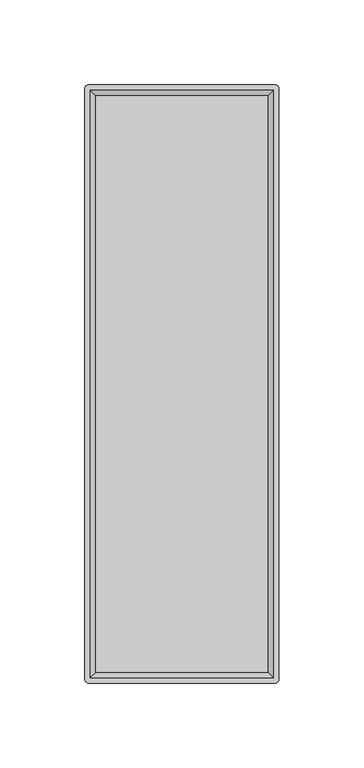
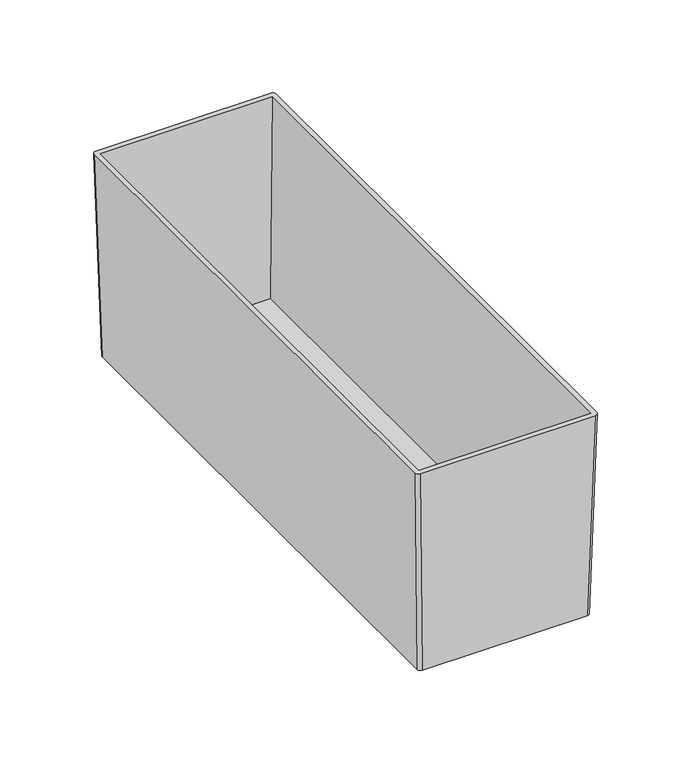
"""IFC4 building model written with IfcOpenShell, lengths in millimetres: furniture geometry."""

from ifc_helpers import new_model, si_unit, point, frame, origin, place, context, project, spatial, circle_curve, trimmed, source, transform, mapped, element, save
from ifc_brep_helpers import plane_surface, extruded_surface, advanced_brep


def furniture_8591d02a(model_context):
    return source(origin(), model_context, "Body", "AdvancedBrep", [
        advanced_brep(
        [(51.7525, 173.0375, 501.65), (53.975, 170.815, 501.65), (53.975, -170.815, 501.65), (51.7525, -173.0375, 501.65), (-51.7525, -173.0375, 501.65), (-53.975, -170.815, 501.65), (-53.975, 170.815, 501.65), (-51.7525, 173.0375, 501.65), (54.9275, 176.2125, 635.0), (-54.9275, 176.2125, 635.0), (-57.15, 173.99, 635.0), (-57.15, -173.99, 635.0), (-54.9275, -176.2125, 635.0), (54.9275, -176.2125, 635.0), (57.15, -173.99, 635.0), (57.15, 173.99, 635.0), (-53.975, 173.0375, 635.0), (53.975, 173.0375, 635.0), (53.975, -173.0375, 635.0), (-53.975, -173.0375, 635.0), (50.8, 169.8625, 504.19), (-50.8, 169.8625, 504.19), (-50.8, -169.8625, 504.19), (50.8, -169.8625, 504.19)],
        [
            (0, 1, circle_curve(frame((51.7525, 170.815, 501.65), z_axis=(0.0, 0.0, -1.0), x_axis=(-1.0, 0.0, 0.0)), 2.2225)),
            (1, 2),
            (2, 3, circle_curve(frame((51.7525, -170.815, 501.65), z_axis=(0.0, 0.0, -1.0), x_axis=(-1.0, 0.0, 0.0)), 2.2225)),
            (3, 4),
            (4, 5, circle_curve(frame((-51.7525, -170.815, 501.65), z_axis=(0.0, 0.0, -1.0), x_axis=(-1.0, 0.0, 0.0)), 2.2225)),
            (5, 6),
            (6, 7, circle_curve(frame((-51.7525, 170.815, 501.65), z_axis=(0.0, 0.0, -1.0), x_axis=(-1.0, 0.0, 0.0)), 2.2225)),
            (7, 0),
            (8, 9),
            (9, 10, circle_curve(frame((-54.9275, 173.99, 635.0), z_axis=(0.0, 0.0, 1.0), x_axis=(-1.0, 0.0, 0.0)), 2.2225)),
            (10, 11),
            (11, 12, circle_curve(frame((-54.9275, -173.99, 635.0), z_axis=(0.0, 0.0, 1.0), x_axis=(-1.0, 0.0, 0.0)), 2.2225)),
            (12, 13),
            (13, 14, circle_curve(frame((54.9275, -173.99, 635.0), z_axis=(0.0, 0.0, 1.0), x_axis=(-1.0, 0.0, 0.0)), 2.2225)),
            (14, 15),
            (15, 8, circle_curve(frame((54.9275, 173.99, 635.0), z_axis=(0.0, 0.0, 1.0), x_axis=(-1.0, 0.0, 0.0)), 2.2225)),
            (16, 17),
            (17, 18),
            (18, 19),
            (19, 16),
            (7, 9),
            (8, 0),
            (6, 10),
            (5, 11),
            (4, 12),
            (3, 13),
            (2, 14),
            (1, 15),
            (20, 21),
            (21, 22),
            (22, 23),
            (23, 20),
            (20, 17),
            (16, 21),
            (19, 22),
            (18, 23),
        ],
        [
            plane_surface(frame((0.0, 0.0, 501.65), z_axis=(0.0, 0.0, -1.0), x_axis=(-1.0, 0.0, 0.0))),
            plane_surface(frame((0.0, 0.0, 635.0), z_axis=(0.0, 0.0, 1.0), x_axis=(-1.0, 0.0, 0.0))),
            plane_surface(frame((0.0, 176.2125, 635.0), z_axis=(0.0, 0.999716673744136, -0.023802777946298048), x_axis=(1.0, 0.0, 0.0))),
            extruded_surface(trimmed(circle_curve(frame((-54.9275, 173.99, 635.0), z_axis=(0.0, 0.0, -1.0), x_axis=(-1.0, 0.0, 0.0)), 2.2225), [point((-57.15, 173.99, 635.0))], [point((-54.9275, 176.2125, 635.0))], True, "CARTESIAN"), (3.1750000000000043, -3.1750000000000114, -133.35000000000002), 133.42557382301194),
            plane_surface(frame((-57.15, 0.0, 635.0), z_axis=(-0.9997166737441362, 0.0, -0.02380277794629076), x_axis=(0.0, 1.0, 0.0))),
            extruded_surface(trimmed(circle_curve(frame((-54.9275, -173.99, 635.0), z_axis=(0.0, 0.0, -1.0), x_axis=(-1.0, 0.0, 0.0)), 2.2225), [point((-54.9275, -176.2125, 635.0))], [point((-57.15, -173.99, 635.0))], True, "CARTESIAN"), (3.1750000000000043, 3.1750000000000114, -133.35000000000002), 133.42557382301194),
            plane_surface(frame((0.0, -176.2125, 635.0), z_axis=(0.0, -0.9997166737441574, -0.02380277794539744), x_axis=(-1.0, 0.0, 0.0))),
            extruded_surface(trimmed(circle_curve(frame((54.9275, -173.99, 635.0), z_axis=(0.0, 0.0, -1.0), x_axis=(-1.0, 0.0, 0.0)), 2.2225), [point((57.15, -173.99, 635.0))], [point((54.9275, -176.2125, 635.0))], True, "CARTESIAN"), (-3.1750000000000043, 3.1750000000000114, -133.35000000000002), 133.42557382301194),
            plane_surface(frame((57.15, 0.0, 635.0), z_axis=(0.9997166737441394, 0.0, -0.02380277794615562), x_axis=(0.0, -1.0, 0.0))),
            extruded_surface(trimmed(circle_curve(frame((54.9275, 173.99, 635.0), z_axis=(0.0, 0.0, -1.0), x_axis=(-1.0, 0.0, 0.0)), 2.2225), [point((54.9275, 176.2125, 635.0))], [point((57.15, 173.99, 635.0))], True, "CARTESIAN"), (-3.1750000000000043, -3.1750000000000114, -133.35000000000002), 133.42557382301194),
            plane_surface(frame((0.0, 0.0, 504.19), z_axis=(0.0, 0.0, 1.0), x_axis=(-1.0, 0.0, 0.0))),
            plane_surface(frame((0.0, 173.0375, 635.0), z_axis=(0.0, -0.9997055688640034, 0.024264698273406472), x_axis=(1.0, 0.0, 0.0))),
            plane_surface(frame((-53.975, 0.0, 635.0), z_axis=(0.9997055688640036, 0.0, 0.02426469827339736), x_axis=(0.0, 1.0, 0.0))),
            plane_surface(frame((0.0, -173.0375, 635.0), z_axis=(0.0, 0.9997055688639701, 0.02426469827477685), x_axis=(-1.0, 0.0, 0.0))),
            plane_surface(frame((53.975, 0.0, 635.0), z_axis=(-0.9997055688640002, 0.0, 0.024264698273538807), x_axis=(0.0, -1.0, 0.0))),
        ],
        [
            (0, [[1, 2, 3, 4, 5, 6, 7, 8]]),
            (1, [[9, 10, 11, 12, 13, 14, 15, 16], [17, 18, 19, 20]]),
            (2, [[-8, 21, -9, 22]]),
            (3, [[-7, 23, -10, -21]]),
            (4, [[-6, 24, -11, -23]]),
            (5, [[-5, 25, -12, -24]]),
            (6, [[-4, 26, -13, -25]]),
            (7, [[-3, 27, -14, -26]]),
            (8, [[-2, 28, -15, -27]]),
            (9, [[-1, -22, -16, -28]]),
            (10, [[29, 30, 31, 32]]),
            (11, [[-29, 33, -17, 34]]),
            (12, [[-30, -34, -20, 35]]),
            (13, [[-31, -35, -19, 36]]),
            (14, [[-32, -36, -18, -33]]),
        ],
    ),
    ])


if __name__ == "__main__":
    model = new_model("IFC4")
    model_context = context("Model", 3, world=origin())
    ifc_project = project(units=[si_unit("LENGTHUNIT", "METRE", prefix="MILLI")], contexts=[model_context])
    site = spatial("IfcSite", under=ifc_project)
    building = spatial("IfcBuilding", under=site)
    placement = place(None, origin())
    furniture_shape = furniture_8591d02a(model_context)
    element("IfcFurniture", 1, at=placement, inside=building, context=model_context, shape_type="MappedRepresentation", body=[
        mapped(furniture_shape, transform((0.0, 0.0, 0.0), x_axis=(1.0, 0.0, 0.0), y_axis=(0.0, 1.0, 0.0), z_axis=(0.0, 0.0, 1.0))),
    ])
    save(model, "model.ifc")
